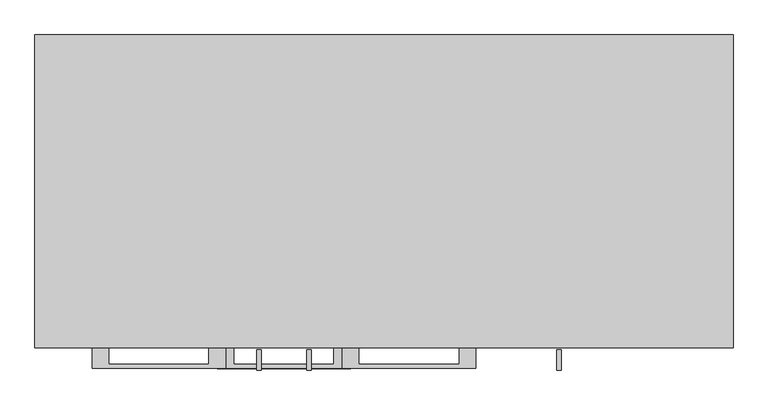
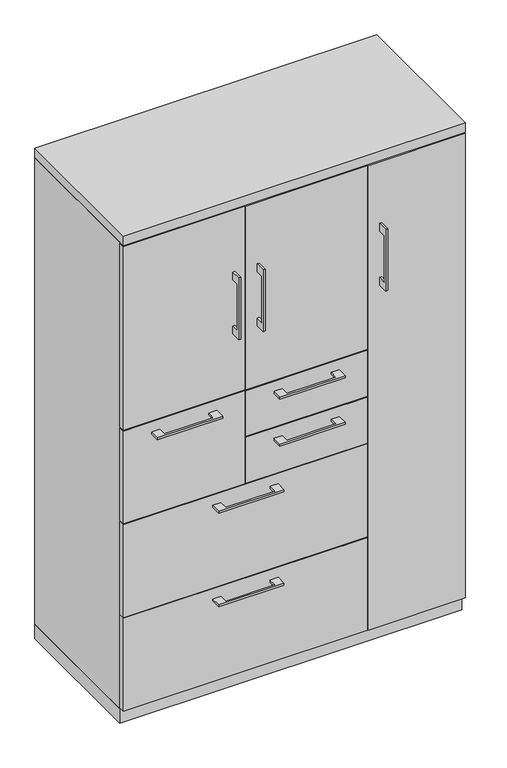
"""IFC4 building model written with IfcOpenShell, lengths in millimetres: furniture geometry."""

from ifc_helpers import new_model, si_unit, frame, origin, origin_with_axes, place, context, project, spatial, polyline, outline, extrude, source, transform, mapped, element, save


def furniture_3d0bfa8f(model_context):
    return source(origin(), model_context, "Body", "SweptSolid", [
        extrude(outline(polyline([(-419.0999818, -476.25), (-419.0999818, -501.6499758), (-266.7, -501.6499758), (-266.7, -476.25), (-241.3000061, -476.25), (-241.3000061, -507.9999879), (-444.4999939, -507.9999879), (-444.4999939, -476.25), (-419.0999818, -476.25)])), frame((0.0, 0.0, 931.8625506), z_axis=(0.0, 0.0, 1.0), x_axis=(1.0, 0.0, 0.0)), (0.0, 0.0, 1.0), 6.3499758),
        extrude(outline(polyline([(-153.9875, -457.2), (-153.9875, -476.25), (-531.8125, -476.25), (-531.8125, -457.2), (-153.9875, -457.2)])), frame((0.0, 0.0, 666.75), z_axis=(0.0, 0.0, 1.0), x_axis=(1.0, 0.0, 0.0)), (0.0, 0.0, 1.0), 304.8),
        extrude(outline(polyline([(-479.425, 1352.55), (-504.8249758, 1352.55), (-504.8249758, 1200.15), (-479.425, 1200.15), (-479.425, 1174.75), (-511.1749879, 1174.75), (-511.1749879, 1377.95), (-479.425, 1377.95), (-479.425, 1352.55)])), frame((-117.4749879, 0.0, 0.0), z_axis=(1.0, 0.0, 0.0), x_axis=(0.0, 1.0, 0.0)), (0.0, 0.0, 1.0), 6.3499758),
        extrude(outline(polyline([(227.0125, -476.25), (-150.8125, -476.25), (-150.8125, -457.2), (227.0125, -457.2), (227.0125, -476.25)])), frame((0.0, 0.0, 974.725), z_axis=(0.0, 0.0, 1.0), x_axis=(1.0, 0.0, 0.0)), (0.0, 0.0, 1.0), 603.25),
        extrude(outline(polyline([(-38.0999818, -476.25), (-38.0999818, -501.6499758), (114.3, -501.6499758), (114.3, -476.25), (139.6999939, -476.25), (139.6999939, -507.9999879), (-63.4999939, -507.9999879), (-63.4999939, -476.25), (-38.0999818, -476.25)])), frame((0.0, 0.0, 931.8625506), z_axis=(0.0, 0.0, 1.0), x_axis=(1.0, 0.0, 0.0)), (0.0, 0.0, 1.0), 6.3499758),
        extrude(outline(polyline([(227.0125, -457.2), (227.0125, -476.25), (-150.8125, -476.25), (-150.8125, -457.2), (227.0125, -457.2)])), frame((0.0, 0.0, 820.7375), z_axis=(0.0, 0.0, 1.0), x_axis=(1.0, 0.0, 0.0)), (0.0, 0.0, 1.0), 150.8125),
        extrude(outline(polyline([(-228.5999818, -476.25), (-228.5999818, -501.6499758), (-76.2, -501.6499758), (-76.2, -476.25), (-50.8000061, -476.25), (-50.8000061, -507.9999879), (-253.9999939, -507.9999879), (-253.9999939, -476.25), (-228.5999818, -476.25)])), frame((0.0, 0.0, 623.8875506), z_axis=(0.0, 0.0, 1.0), x_axis=(1.0, 0.0, 0.0)), (0.0, 0.0, 1.0), 6.3499758),
        extrude(outline(polyline([(227.0125, -457.2), (227.0125, -476.25), (-531.8125, -476.25), (-531.8125, -457.2), (227.0125, -457.2)])), frame((0.0, 0.0, 358.775), z_axis=(0.0, 0.0, 1.0), x_axis=(1.0, 0.0, 0.0)), (0.0, 0.0, 1.0), 304.8),
        extrude(outline(polyline([(-479.425, 1352.55), (-504.8249758, 1352.55), (-504.8249758, 1200.15), (-479.425, 1200.15), (-479.425, 1174.75), (-511.1749879, 1174.75), (-511.1749879, 1377.95), (-479.425, 1377.95), (-479.425, 1352.55)])), frame((-193.6749879, 0.0, 0.0), z_axis=(1.0, 0.0, 0.0), x_axis=(0.0, 1.0, 0.0)), (0.0, 0.0, 1.0), 6.3499758),
        extrude(outline(polyline([(-531.8125, -476.25), (-531.8125, -457.2), (-153.9875, -457.2), (-153.9875, -476.25), (-531.8125, -476.25)])), frame((0.0, 0.0, 974.725), z_axis=(0.0, 0.0, 1.0), x_axis=(1.0, 0.0, 0.0)), (0.0, 0.0, 1.0), 603.25),
        extrude(outline(polyline([(-38.0999818, -476.25), (-38.0999818, -501.6499758), (114.3, -501.6499758), (114.3, -476.25), (139.6999939, -476.25), (139.6999939, -507.9999879), (-63.4999939, -507.9999879), (-63.4999939, -476.25), (-38.0999818, -476.25)])), frame((0.0, 0.0, 777.8750506), z_axis=(0.0, 0.0, 1.0), x_axis=(1.0, 0.0, 0.0)), (0.0, 0.0, 1.0), 6.3499758),
        extrude(outline(polyline([(227.0125, -457.2), (227.0125, -476.25), (-150.8125, -476.25), (-150.8125, -457.2), (227.0125, -457.2)])), frame((0.0, 0.0, 666.75), z_axis=(0.0, 0.0, 1.0), x_axis=(1.0, 0.0, 0.0)), (0.0, 0.0, 1.0), 150.8125),
        extrude(outline(polyline([(-479.425, 1352.55), (-504.8249758, 1352.55), (-504.8249758, 1200.15), (-479.425, 1200.15), (-479.425, 1174.75), (-511.1749879, 1174.75), (-511.1749879, 1377.95), (-479.425, 1377.95), (-479.425, 1352.55)])), frame((263.5250121, 0.0, 0.0), z_axis=(1.0, 0.0, 0.0), x_axis=(0.0, 1.0, 0.0)), (0.0, 0.0, 1.0), 6.3499758),
        extrude(outline(polyline([(531.8125, -476.25), (230.1875, -476.25), (230.1875, -457.2), (531.8125, -457.2), (531.8125, -476.25)])), frame((0.0, 0.0, 50.8), z_axis=(0.0, 0.0, 1.0), x_axis=(1.0, 0.0, 0.0)), (0.0, 0.0, 1.0), 1527.175),
        extrude(outline(polyline([(-228.5999818, -476.25), (-228.5999818, -501.6499758), (-76.2, -501.6499758), (-76.2, -476.25), (-50.8000061, -476.25), (-50.8000061, -507.9999879), (-253.9999939, -507.9999879), (-253.9999939, -476.25), (-228.5999818, -476.25)])), frame((0.0, 0.0, 315.9125506), z_axis=(0.0, 0.0, 1.0), x_axis=(1.0, 0.0, 0.0)), (0.0, 0.0, 1.0), 6.3499758),
        extrude(outline(polyline([(227.0125, -457.2), (227.0125, -476.25), (-531.8125, -476.25), (-531.8125, -457.2), (227.0125, -457.2)])), frame((0.0, 0.0, 50.8), z_axis=(0.0, 0.0, 1.0), x_axis=(1.0, 0.0, 0.0)), (0.0, 0.0, 1.0), 304.8),
        extrude(outline(polyline([(227.0125, -19.05), (227.0125, -457.2), (207.9625, -457.2), (207.9625, -19.05), (227.0125, -19.05)])), frame((0.0, 0.0, 47.625), z_axis=(0.0, 0.0, 1.0), x_axis=(1.0, 0.0, 0.0)), (0.0, 0.0, 1.0), 1533.525),
        extrude(outline(polyline([(531.8125, 0.0), (531.8125, -457.2), (512.7625, -457.2), (512.7625, -19.05), (-512.7625, -19.05), (-512.7625, -457.2), (-531.8125, -457.2), (-531.8125, 0.0), (531.8125, 0.0)])), frame((0.0, 0.0, 47.625), z_axis=(0.0, 0.0, 1.0), x_axis=(1.0, 0.0, 0.0)), (0.0, 0.0, 1.0), 1533.525),
        extrude(outline(polyline([(531.8125, 0.0), (531.8125, -476.25), (-531.8125, -476.25), (-531.8125, 0.0), (531.8125, 0.0)])), frame((0.0, 0.0, 1581.15), z_axis=(0.0, 0.0, 1.0), x_axis=(1.0, 0.0, 0.0)), (0.0, 0.0, 1.0), 31.75),
        extrude(outline(polyline([(531.8125, 0.0), (531.8125, -457.2), (-531.8125, -457.2), (-531.8125, 0.0), (531.8125, 0.0)])), origin_with_axes(), (0.0, 0.0, 1.0), 47.625),
    ])


if __name__ == "__main__":
    model = new_model("IFC4")
    model_context = context("Model", 3, world=origin())
    ifc_project = project(units=[si_unit("LENGTHUNIT", "METRE", prefix="MILLI")], contexts=[model_context])
    site = spatial("IfcSite", under=ifc_project)
    building = spatial("IfcBuilding", under=site)
    placement = place(None, origin())
    furniture_shape = furniture_3d0bfa8f(model_context)
    element("IfcFurniture", 1, at=placement, inside=building, context=model_context, shape_type="MappedRepresentation", body=[
        mapped(furniture_shape, transform((0.0, 0.0, 0.0), x_axis=(1.0, 0.0, 0.0), y_axis=(0.0, 1.0, 0.0), z_axis=(0.0, 0.0, 1.0))),
    ])
    save(model, "model.ifc")
